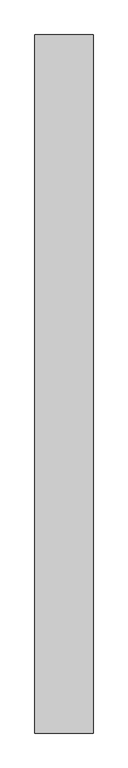
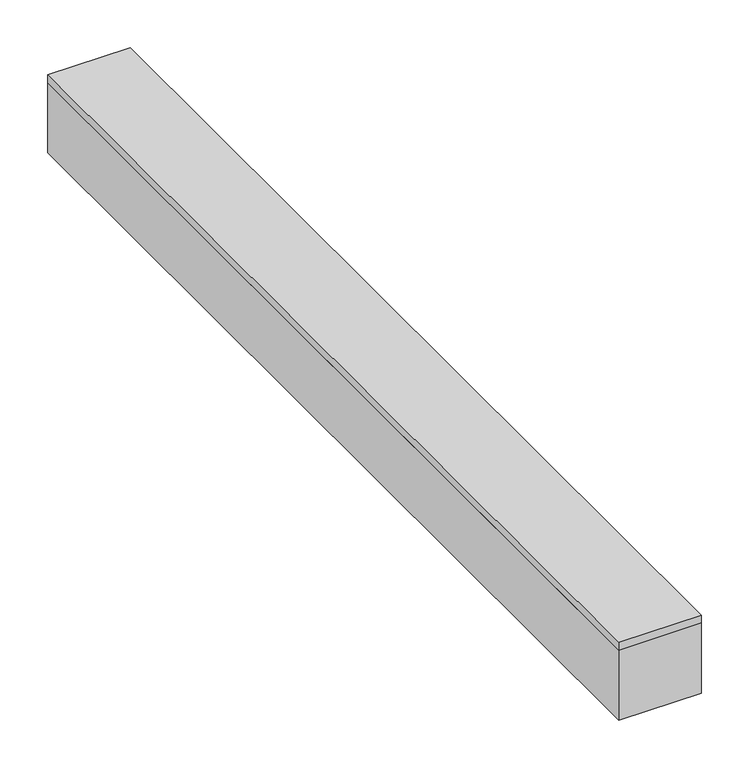
"""IFC4 building model written with IfcOpenShell, lengths in millimetres: proxy geometry."""

from ifc_helpers import new_model, si_unit, frame, origin, place, context, project, spatial, polyline, outline, extrude, source, transform, mapped, element, save


def specialty_equipment_b3cc0d0e(model_context):
    return source(origin(), model_context, "Body", "SweptSolid", [
        extrude(outline(polyline([(50.0, 600.0), (50.0, -600.0), (-50.0, -600.0), (-50.0, 600.0), (50.0, 600.0)])), frame((0.0, 0.0, -10.0), z_axis=(0.0, 0.0, 1.0), x_axis=(1.0, 0.0, 0.0)), (0.0, 0.0, 1.0), 10.0),
        extrude(outline(polyline([(50.0, 600.0), (50.0, -600.0), (-50.0, -600.0), (-50.0, 600.0), (50.0, 600.0)])), frame((0.0, 0.0, -100.0), z_axis=(0.0, 0.0, 1.0), x_axis=(1.0, 0.0, 0.0)), (0.0, 0.0, 1.0), 90.0),
    ])


if __name__ == "__main__":
    model = new_model("IFC4")
    model_context = context("Model", 3, world=origin())
    ifc_project = project(units=[si_unit("LENGTHUNIT", "METRE", prefix="MILLI")], contexts=[model_context])
    site = spatial("IfcSite", under=ifc_project)
    building = spatial("IfcBuilding", under=site)
    placement = place(None, origin())
    specialty_equipment_shape = specialty_equipment_b3cc0d0e(model_context)
    element("IfcBuildingElementProxy", 1, Name="Specialty Equipment", at=placement, inside=building, context=model_context, shape_type="MappedRepresentation", body=[
        mapped(specialty_equipment_shape, transform((0.0, 0.0, 0.0), x_axis=(1.0, 0.0, 0.0), y_axis=(0.0, 1.0, 0.0), z_axis=(0.0, 0.0, 1.0))),
    ])
    save(model, "model.ifc")
